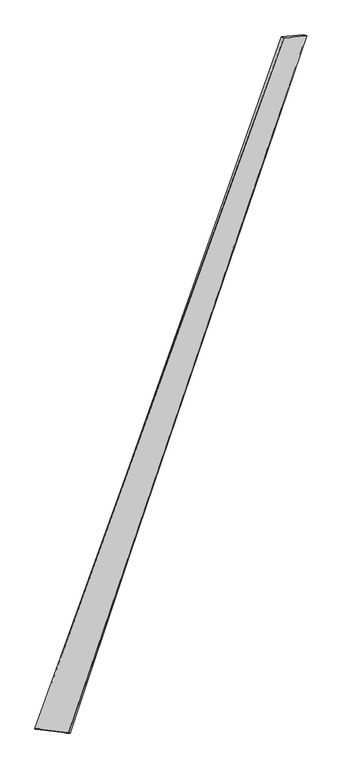
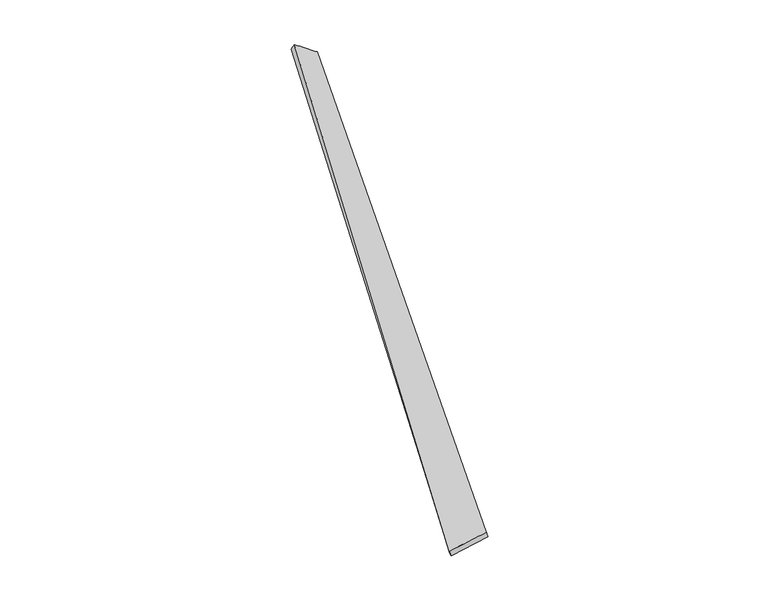
"""IFC4 building model written with IfcOpenShell, lengths in millimetres: proxy geometry."""

import ifcopenshell
import ifcopenshell.guid

model = None  # the IFC model being written
_history = None  # IfcOwnerHistory: only IFC2X3 demands one
_inside = {}  # id of a spatial element -> (the spatial element, [elements in it])
_under = {}  # id of a project, library or spatial element -> (it, [spatial elements below it])
_declared = {}  # id of a project -> (the project, [libraries it declares])
_typed = {}  # id of a type object -> (the type object, [elements of that type])
_made_of = {}  # id of a material, layer set ... -> (it, [elements and type objects made of it])


def new_model(schema):
    """Start an empty IFC model of exactly this schema.

    Asked for "IFC4X3", IfcOpenShell would pick the latest addendum, in which some entities
    have other attributes; the version numbers below select the first issue.
    IFC2X3 requires an IfcOwnerHistory on every rooted entity: one is made here for all.
    """
    global model, _history
    if schema == "IFC4X3":
        model = ifcopenshell.file(schema_version=(4, 3, 0, 0))
    else:
        model = ifcopenshell.file(schema=schema)
    _inside.clear()
    _under.clear()
    _declared.clear()
    _typed.clear()
    _made_of.clear()
    _history = None
    if model.schema == "IFC2X3":
        org = make("IfcOrganization", Name="unknown")
        user = make(
            "IfcPersonAndOrganization",
            ThePerson=make("IfcPerson", FamilyName="unknown"),
            TheOrganization=org,
        )
        app = make(
            "IfcApplication",
            ApplicationDeveloper=org,
            Version="unknown",
            ApplicationFullName="unknown",
            ApplicationIdentifier="unknown",
        )
        _history = make(
            "IfcOwnerHistory",
            OwningUser=user,
            OwningApplication=app,
            ChangeAction="ADDED",
            CreationDate=0,
        )
    return model


def make(cls, **values):
    """One entity of the class cls with the attributes given. An attribute that is None is left unset."""
    return model.create_entity(
        cls, **{name: value for name, value in values.items() if value is not None}
    )


def rooted(cls, **values):
    """An entity with a GlobalId (a new one), such as an element, a storey or a relation."""
    return make(cls, GlobalId=ifcopenshell.guid.new(), OwnerHistory=_history, **values)


def si_unit(unit_type, name, prefix=None):
    """IfcSIUnit, for example si_unit("LENGTHUNIT", "METRE", prefix="MILLI")."""
    return make("IfcSIUnit", UnitType=unit_type, Prefix=prefix, Name=name)


def assignment(units):
    """IfcUnitAssignment: the units of a project."""
    return None if units is None else make("IfcUnitAssignment", Units=units)


def point(xyz):
    """IfcCartesianPoint."""
    return None if xyz is None else make("IfcCartesianPoint", Coordinates=xyz)


def direction(xyz):
    """IfcDirection."""
    return None if xyz is None else make("IfcDirection", DirectionRatios=xyz)


def frame(location, z_axis=None, x_axis=None):
    """IfcAxis2Placement3D, a coordinate frame: its origin and axes. An axis left out is left unset."""
    return make(
        "IfcAxis2Placement3D",
        Location=point(location),
        Axis=direction(z_axis),
        RefDirection=direction(x_axis),
    )


def origin():
    """The frame at (0, 0, 0) with its axes left unset."""
    return frame((0.0, 0.0, 0.0))


def place(relative_to, where):
    """IfcLocalPlacement: puts the frame where relative to a parent placement (None: the world)."""
    return make(
        "IfcLocalPlacement", PlacementRelTo=relative_to, RelativePlacement=where
    )


def context(
    kind, dimensions, precision=None, world=None, true_north=None, identifier=None
):
    """IfcGeometricRepresentationContext, for example the 3D "Model" context."""
    return make(
        "IfcGeometricRepresentationContext",
        ContextIdentifier=identifier,
        ContextType=kind,
        CoordinateSpaceDimension=dimensions,
        Precision=precision,
        WorldCoordinateSystem=world,
        TrueNorth=true_north,
    )


def project(units=None, contexts=None):
    """IfcProject with its units and contexts."""
    return rooted(
        "IfcProject",
        Name="project",
        RepresentationContexts=contexts,
        UnitsInContext=assignment(units),
    )


def spatial(cls, under=None, at=None, **own):
    """A site, building, storey or space (cls), placed at a placement, below another one or the project."""
    s = rooted(cls, ObjectPlacement=at, **own)
    if under is not None:
        _under.setdefault(under.id(), (under, []))[1].append(s)
    return s


def shape(context_of_items, identifier, shape_type, items):
    """IfcShapeRepresentation: the items that make up one representation, for example the "Body"."""
    return make(
        "IfcShapeRepresentation",
        ContextOfItems=context_of_items,
        RepresentationIdentifier=identifier,
        RepresentationType=shape_type,
        Items=items,
    )


def source(mapping_origin, context_of_items, identifier, shape_type, items):
    """IfcRepresentationMap: a shape defined once, which mapped items show again and again."""
    return make(
        "IfcRepresentationMap",
        MappingOrigin=mapping_origin,
        MappedRepresentation=shape(context_of_items, identifier, shape_type, items),
    )


def transform(
    local_origin,
    x_axis=None,
    y_axis=None,
    z_axis=None,
    scale=None,
    scale2=None,
    scale3=None,
    uniform=True,
):
    """IfcCartesianTransformationOperator3D, or its non-uniform kind. x_axis, y_axis, z_axis: its Axis1, 2, 3."""
    if uniform:
        return make(
            "IfcCartesianTransformationOperator3D",
            Axis1=direction(x_axis),
            Axis2=direction(y_axis),
            LocalOrigin=point(local_origin),
            Scale=scale,
            Axis3=direction(z_axis),
        )
    return make(
        "IfcCartesianTransformationOperator3DnonUniform",
        Axis1=direction(x_axis),
        Axis2=direction(y_axis),
        LocalOrigin=point(local_origin),
        Scale=scale,
        Axis3=direction(z_axis),
        Scale2=scale2,
        Scale3=scale3,
    )


def mapped(mapping_source, mapping_target):
    """IfcMappedItem: shows the shape of a source again, moved by a transform."""
    return make(
        "IfcMappedItem", MappingSource=mapping_source, MappingTarget=mapping_target
    )


def made_of(thing, what):
    """Note that an element or type object is made of a material, layer set ...; save() writes the relation."""
    if what is not None:
        _made_of.setdefault(what.id(), (what, []))[1].append(thing)
    return thing


def element(
    cls,
    number,
    at=None,
    inside=None,
    cuts=None,
    type_object=None,
    material=None,
    context=None,
    identifier="Body",
    shape_type=None,
    held_by="IfcProductDefinitionShape",
    body=None,
    shapes=None,
    **own,
):
    """One element of the class cls, such as IfcWall. Its Tag is "e" and its number.

    at: its placement. inside: the storey or other place that contains it. cuts: it is an
    opening in that element (IfcRelVoidsElement). A single representation is given by context,
    identifier, shape_type and body (its items); several are given by shapes. held_by: the class
    of the entity that holds the representations. save() writes the other relations.
    """
    e = rooted(cls, Tag="e%d" % number, ObjectPlacement=at, **own)
    if body is not None:
        shapes = [shape(context, identifier, shape_type, body)]
    if shapes is not None:
        e.Representation = make(held_by, Representations=shapes)
    if inside is not None:
        _inside.setdefault(inside.id(), (inside, []))[1].append(e)
    if cuts is not None:
        rooted(
            "IfcRelVoidsElement", RelatingBuildingElement=cuts, RelatedOpeningElement=e
        )
    if type_object is not None:
        _typed.setdefault(type_object.id(), (type_object, []))[1].append(e)
    return made_of(e, material)


def aggregate(whole, parts):
    """IfcRelAggregates: a whole, such as a stair, and the parts it consists of."""
    return rooted("IfcRelAggregates", RelatingObject=whole, RelatedObjects=parts)


def save(model, path):
    """Write the relations noted so far, then the file.

    IfcRelAggregates (storeys below a building ...), IfcRelContainedInSpatialStructure (elements
    in a storey), IfcRelDefinesByType, IfcRelAssociatesMaterial and IfcRelDeclares: one each for
    every whole, place, type object, material and project.
    """
    for whole, parts in _under.values():
        aggregate(whole, parts)
    for where, things in _inside.values():
        rooted(
            "IfcRelContainedInSpatialStructure",
            RelatedElements=things,
            RelatingStructure=where,
        )
    for kind, things in _typed.values():
        rooted("IfcRelDefinesByType", RelatedObjects=things, RelatingType=kind)
    for what, things in _made_of.values():
        rooted("IfcRelAssociatesMaterial", RelatedObjects=things, RelatingMaterial=what)
    for by, libraries in _declared.values():
        rooted("IfcRelDeclares", RelatingContext=by, RelatedDefinitions=libraries)
    model.write(path)


def spline_surface(u_degree, v_degree, points, u_multiplicities, v_multiplicities, u_knots, v_knots, weights=None):
    """IfcBSplineSurfaceWithKnots; with weights, IfcRationalBSplineSurfaceWithKnots. points: one row for each step in u."""
    own = dict(
        UDegree=u_degree,
        VDegree=v_degree,
        ControlPointsList=[[point(p) for p in row] for row in points],
        SurfaceForm="UNSPECIFIED",
        UClosed=False,
        VClosed=False,
        SelfIntersect=False,
        UMultiplicities=u_multiplicities,
        VMultiplicities=v_multiplicities,
        UKnots=u_knots,
        VKnots=v_knots,
        KnotSpec="UNSPECIFIED",
    )
    if weights is None:
        return make("IfcBSplineSurfaceWithKnots", **own)
    return make("IfcRationalBSplineSurfaceWithKnots", WeightsData=weights, **own)


def advanced_brep(points, edges, surfaces, faces):
    """IfcAdvancedBrep: a solid bounded by faces that lie on surfaces and meet in shared edges.

    An edge is (start, end): straight between two places in points (the first is 0);
    or (start, end, curve); or (start, end, curve, False) where it runs against its curve.
    A face is (place in surfaces, loops), or (place, loops, False) where it looks against
    its surface's normal. A loop lists edges by number (the first is 1), with a minus sign
    where the edge is run from its end to its start. The first loop is the outer one.
    """
    corners = [point(p) for p in points]
    vertices = [make("IfcVertexPoint", VertexGeometry=c) for c in corners]
    made = []
    for start, end, *more in edges:
        made.append(
            make(
                "IfcEdgeCurve",
                EdgeStart=vertices[start],
                EdgeEnd=vertices[end],
                EdgeGeometry=more[0] if more else make("IfcPolyline", Points=[corners[start], corners[end]]),
                SameSense=more[1] if len(more) > 1 else True,
            )
        )
    hull = []
    for where, loops, *sense in faces:
        bounds = []
        for j, loop in enumerate(loops):
            ring = [make("IfcOrientedEdge", EdgeElement=made[abs(k) - 1], Orientation=k > 0) for k in loop]
            bounds.append(
                make(
                    "IfcFaceOuterBound" if j == 0 else "IfcFaceBound",
                    Bound=make("IfcEdgeLoop", EdgeList=ring),
                    Orientation=True,
                )
            )
        hull.append(make("IfcAdvancedFace", Bounds=bounds, FaceSurface=surfaces[where], SameSense=sense[0] if sense else True))
    return make("IfcAdvancedBrep", Outer=make("IfcClosedShell", CfsFaces=hull))


def generic_models_5baf1af2(model_context):
    return source(origin(), model_context, "Body", "AdvancedBrep", [
        advanced_brep(
        [(-712.8012557, -1805.763181, -28.8345949), (-722.0148145, -1803.0390125, -0.4147209), (717.0052636, 2184.7046642, 72.0152533), (701.916697, 2190.5240324, 46.7472872), (-525.9697323, -1824.4637271, 57.587215), (849.8109153, 2196.3077094, -24.8861975), (-519.0340287, -1827.3259022, 28.5406323), (829.9185874, 2202.5650508, -46.4533246)],
        [
            (0, 1),
            (1, 2),
            (2, 3),
            (3, 0),
            (1, 4),
            (4, 5),
            (5, 2),
            (4, 6),
            (6, 7),
            (7, 5),
            (6, 0),
            (3, 7),
        ],
        [
            spline_surface(1, 1, [[(-712.8012557, -1805.763181, -28.8345949), (701.916697, 2190.5240324, 46.7472872)], [(-722.0148145, -1803.0390125, -0.4147209), (717.0052636, 2184.7046642, 72.0152533)]], [2, 2], [2, 2], [0.0, 1.0], [0.0, 1.0]),
            spline_surface(1, 1, [[(-722.0148145, -1803.0390125, -0.4147209), (717.0052636, 2184.7046642, 72.0152533)], [(-525.9697323, -1824.4637271, 57.587215), (849.8109153, 2196.3077094, -24.8861975)]], [2, 2], [2, 2], [0.0, 1.0], [0.0, 1.0]),
            spline_surface(1, 1, [[(-525.9697323, -1824.4637271, 57.587215), (849.8109153, 2196.3077094, -24.8861975)], [(-519.0340287, -1827.3259022, 28.5406323), (829.9185874, 2202.5650508, -46.4533246)]], [2, 2], [2, 2], [0.0, 1.0], [0.0, 1.0]),
            spline_surface(1, 1, [[(-519.0340287, -1827.3259022, 28.5406323), (829.9185874, 2202.5650508, -46.4533246)], [(-712.8012557, -1805.763181, -28.8345949), (701.916697, 2190.5240324, 46.7472872)]], [2, 2], [2, 2], [0.0, 1.0], [0.0, 1.0]),
            spline_surface(1, 1, [[(717.0052636, 2184.7046642, 72.0152533), (701.916697, 2190.5240324, 46.7472872)], [(849.8109153, 2196.3077094, -24.8861975), (829.9185874, 2202.5650508, -46.4533246)]], [2, 2], [2, 2], [0.0, 1.0], [0.0, 1.0]),
            spline_surface(1, 1, [[(-519.0340287, -1827.3259022, 28.5406323), (-712.8012557, -1805.763181, -28.8345949)], [(-525.9697323, -1824.4637271, 57.587215), (-722.0148145, -1803.0390125, -0.4147209)]], [2, 2], [2, 2], [0.0, 1.0], [0.0, 1.0]),
        ],
        [
            (0, [[1, 2, 3, 4]]),
            (1, [[5, 6, 7, -2]]),
            (2, [[8, 9, 10, -6]]),
            (3, [[11, -4, 12, -9]]),
            (4, [[-3, -7, -10, -12]]),
            (5, [[-11, -8, -5, -1]]),
        ],
    ),
    ])


if __name__ == "__main__":
    model = new_model("IFC4")
    model_context = context("Model", 3, world=origin())
    ifc_project = project(units=[si_unit("LENGTHUNIT", "METRE", prefix="MILLI")], contexts=[model_context])
    site = spatial("IfcSite", under=ifc_project)
    building = spatial("IfcBuilding", under=site)
    placement = place(None, origin())
    generic_models_shape = generic_models_5baf1af2(model_context)
    element("IfcBuildingElementProxy", 1, Name="Generic Models", at=placement, inside=building, context=model_context, shape_type="MappedRepresentation", body=[
        mapped(generic_models_shape, transform((0.0, 0.0, 0.0), x_axis=(1.0, 0.0, 0.0), y_axis=(0.0, 1.0, 0.0), z_axis=(0.0, 0.0, 1.0))),
    ])
    save(model, "model.ifc")
